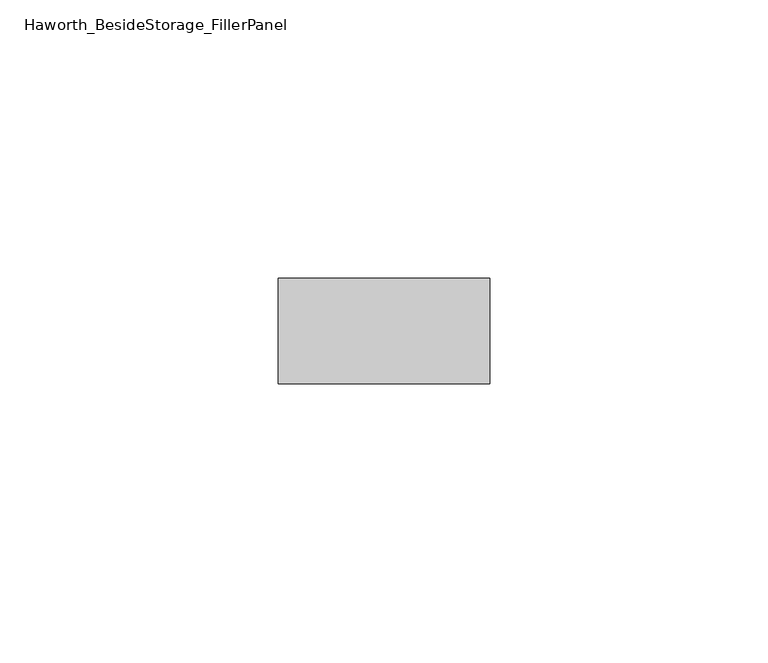
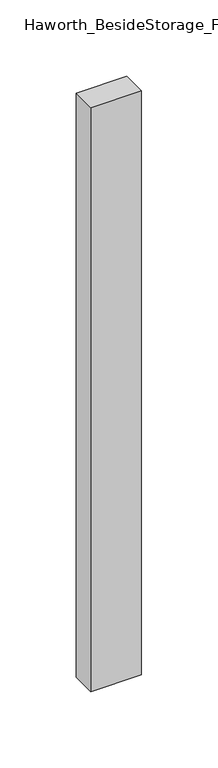
"""IFC4 building model written with IfcOpenShell, lengths in millimetres: furniture geometry, Haworth_BesideStorage_FillerPanel."""

from ifc_helpers import new_model, si_unit, frame, origin, place, context, project, spatial, polyline, outline, extrude, source, transform, mapped, element, save


def haworth_besidestorage_fillerpanel_646abd23(model_context):
    return source(origin(), model_context, "Body", "SweptSolid", [
        extrude(outline(polyline([(320.675, 247.8645843), (320.675, 228.8145843), (282.575, 228.8145843), (282.575, 247.8645843), (320.675, 247.8645843)])), frame((0.0, 0.0, 44.45), z_axis=(0.0, 0.0, 1.0), x_axis=(1.0, 0.0, 0.0)), (0.0, 0.0, 1.0), 466.725),
    ])


if __name__ == "__main__":
    model = new_model("IFC4")
    model_context = context("Model", 3, world=origin())
    ifc_project = project(units=[si_unit("LENGTHUNIT", "METRE", prefix="MILLI")], contexts=[model_context])
    site = spatial("IfcSite", under=ifc_project)
    building = spatial("IfcBuilding", under=site)
    placement = place(None, origin())
    haworth_besidestorage_fillerpanel_shape = haworth_besidestorage_fillerpanel_646abd23(model_context)
    element("IfcFurniture", 1, ObjectType="Haworth_BesideStorage_FillerPanel", at=placement, inside=building, context=model_context, shape_type="MappedRepresentation", body=[
        mapped(haworth_besidestorage_fillerpanel_shape, transform((0.0, 0.0, 0.0), x_axis=(1.0, 0.0, 0.0), y_axis=(0.0, 1.0, 0.0), z_axis=(0.0, 0.0, 1.0))),
    ])
    save(model, "model.ifc")
